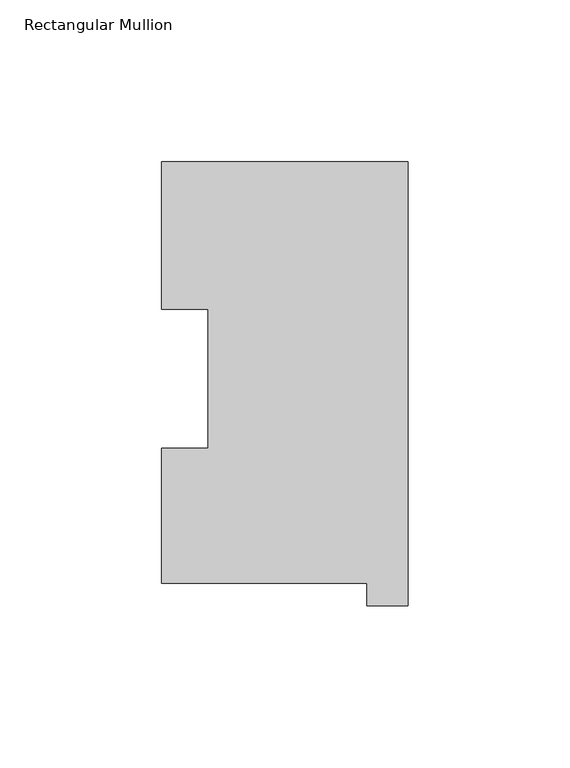
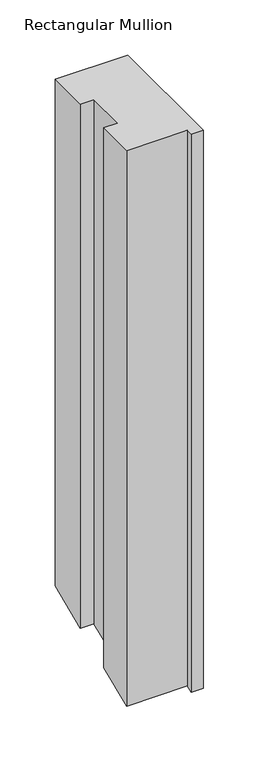
"""IFC4 building model written with IfcOpenShell, lengths in millimetres: member geometry, Rectangular Mullion."""

from ifc_helpers import new_model, si_unit, origin, place, context, project, spatial, faceted_brep, source, transform, mapped, element, save


def rectangular_mullion_ce64cb3e(model_context):
    return source(origin(), model_context, "Body", "Brep", [
        faceted_brep([(-76.2, 130.56235, 0.0), (-76.2, 84.93125, 0.0), (-61.9101579, 84.93125, 0.0), (-61.9101579, 42.0485036, 0.0), (-76.2, 42.0485036, 0.0), (-76.2, 0.26035, 0.0), (-12.7, 0.26035, 0.0), (-12.7, -6.64845, 0.0), (0.0, -6.64845, 0.0), (0.0, 130.56235, 0.0), (-76.2, 130.56235, -562.0216909), (-76.2, 84.93125, -580.9227114), (-61.9101579, 84.93125, -580.9227114), (-61.9101579, 42.0485036, -598.6853265), (-76.2, 42.0485036, -598.6853265), (-76.2, 0.26035, -615.9945465), (-12.7, 0.26035, -615.9945465), (-12.7, -6.64845, -618.8562652), (0.0, -6.64845, -618.8562652), (0.0, 130.56235, -562.0216909)], [[[0, 1, 2, 3, 4, 5, 6, 7, 8, 9]], [[1, 0, 10, 11]], [[2, 1, 11, 12]], [[3, 2, 12, 13]], [[4, 3, 13, 14]], [[5, 4, 14, 15]], [[6, 5, 15, 16]], [[7, 6, 16, 17]], [[8, 7, 17, 18]], [[9, 8, 18, 19]], [[0, 9, 19, 10]], [[10, 19, 18, 17, 16, 15, 14, 13, 12, 11]]]),
    ])


if __name__ == "__main__":
    model = new_model("IFC4")
    model_context = context("Model", 3, world=origin())
    ifc_project = project(units=[si_unit("LENGTHUNIT", "METRE", prefix="MILLI")], contexts=[model_context])
    site = spatial("IfcSite", under=ifc_project)
    building = spatial("IfcBuilding", under=site)
    placement = place(None, origin())
    rectangular_mullion_shape = rectangular_mullion_ce64cb3e(model_context)
    element("IfcMember", 1, ObjectType="Rectangular Mullion", at=placement, inside=building, context=model_context, shape_type="MappedRepresentation", body=[
        mapped(rectangular_mullion_shape, transform((0.0, 0.0, 0.0), x_axis=(1.0, 0.0, 0.0), y_axis=(0.0, 1.0, 0.0), z_axis=(0.0, 0.0, 1.0))),
    ])
    save(model, "model.ifc")
